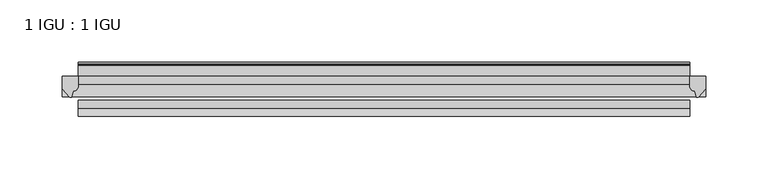
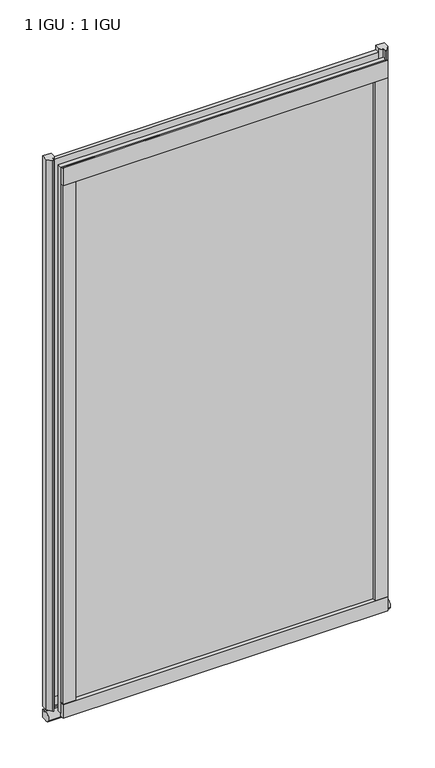
"""IFC4 building model written with IfcOpenShell, lengths in millimetres: plate geometry, 1 IGU : 1 IGU."""

from ifc_helpers import new_model, si_unit, point, frame, frame_2d, origin, place, context, project, spatial, polyline, circle_curve, ellipse_curve, trimmed, segment, composite_curve, outline, extrude, source, transform, mapped, element, save
from ifc_brep_helpers import plane_surface, revolved_surface, extruded_surface, advanced_brep


def plate_1_igu_1_igu_5f714104(model_context):
    return source(origin(), model_context, "Body", "SolidModel", [
        extrude(outline(polyline([(244.6555931, 0.0021347), (244.6555931, -6.2992), (-244.6555931, -6.2992), (-244.6555931, 0.0021347), (244.6555931, 0.0021347)])), frame((0.0, 0.0, -17.4498), z_axis=(0.0, 0.0, 1.0), x_axis=(1.0, 0.0, 0.0)), (0.0, 0.0, 1.0), 868.3366072),
        extrude(outline(polyline([(-244.6555931, -19.0986653), (244.6555931, -19.0986653), (244.6555931, -25.3978653), (-244.6555931, -25.3978653), (-244.6555931, -19.0986653)])), frame((0.0, 0.0, -17.4498), z_axis=(0.0, 0.0, 1.0), x_axis=(1.0, 0.0, 0.0)), (0.0, 0.0, 1.0), 868.3366072),
        advanced_brep(
        [(257.3555931, -2.9334208, -29.3692082), (257.3555931, -15.7658436, -30.8313288), (257.3555931, -6.7904952, -34.925), (257.3555931, 0.0, -34.925), (257.3555931, 0.0, -22.225), (257.3555931, -2.5187477, -22.225), (-257.3555931, -2.9073519, -29.3720514), (-257.3555931, -2.5187477, -22.225), (-257.3555931, 0.0, -22.225), (-257.3555931, 0.0, -34.925), (-257.3555931, -6.7904952, -34.925), (-257.3555931, -15.7658436, -30.8313288)],
        [
            (0, 1, ellipse_curve(frame((257.3555931, -9.5065066, -28.575), z_axis=(1.0, 0.0, 0.0), x_axis=(0.0, 0.0, -1.0)), 6.9638038, 6.6162554)),
            (1, 2, ellipse_curve(frame((257.3555931, -9.5065066, -28.575), z_axis=(1.0, 0.0, 0.0), x_axis=(0.0, 0.0, -1.0)), 6.9638038, 6.6162554)),
            (2, 3),
            (3, 4, circle_curve(frame((257.3555931, 24.1576838, -28.575), z_axis=(-1.0, 0.0, 0.0), x_axis=(0.0, 0.0, 1.0)), 24.9783143)),
            (4, 5),
            (5, 0, circle_curve(frame((257.3555931, -68.4358767, -22.225), z_axis=(-1.0, 0.0, 0.0), x_axis=(0.0, 0.0, 1.0)), 65.917129)),
            (6, 7, circle_curve(frame((-257.3555931, -68.4358767, -22.225), z_axis=(1.0, 0.0, 0.0), x_axis=(0.0, 0.0, 1.0)), 65.917129)),
            (7, 8),
            (8, 9, circle_curve(frame((-257.3555931, 24.1576838, -28.575), z_axis=(1.0, 0.0, 0.0), x_axis=(0.0, 0.0, 1.0)), 24.9783143)),
            (9, 10),
            (10, 11, ellipse_curve(frame((-257.3555931, -9.5065066, -28.575), z_axis=(-1.0, 0.0, 0.0), x_axis=(0.0, 0.0, -1.0)), 6.9638038, 6.6162554)),
            (11, 6, ellipse_curve(frame((-257.3555931, -9.5065066, -28.575), z_axis=(-1.0, 0.0, 0.0), x_axis=(0.0, 0.0, -1.0)), 6.9638038, 6.6162554)),
            (0, 6),
            (11, 1),
            (10, 2),
            (9, 3),
            (8, 4),
            (7, 5),
        ],
        [
            plane_surface(frame((257.3555931, 0.0, -28.575), z_axis=(1.0, 0.0, 0.0), x_axis=(0.0, 1.0, 0.0))),
            plane_surface(frame((-257.3555931, 0.0, -28.575), z_axis=(-1.0, 0.0, 0.0), x_axis=(0.0, 1.0, 0.0))),
            extruded_surface(trimmed(ellipse_curve(frame((-257.3555931, -9.5065066, -28.575), z_axis=(1.0, 0.0, 0.0), x_axis=(0.0, 0.0, -1.0)), 6.9638038, 6.6162554), [point((-257.3555931, -2.9334208, -29.3692082))], [point((-257.3555931, -15.7658436, -30.8313288))], True, "CARTESIAN"), (514.7111862, 0.0, 0.0), 514.7111862),
            extruded_surface(trimmed(ellipse_curve(frame((-257.3555931, -9.5065066, -28.575), z_axis=(1.0, 0.0, 0.0), x_axis=(0.0, 0.0, -1.0)), 6.9638038, 6.6162554), [point((-257.3555931, -15.7658436, -30.8313288))], [point((-257.3555931, -6.7904952, -34.925))], True, "CARTESIAN"), (514.7111862, 0.0, 0.0), 514.7111862),
            plane_surface(frame((257.3555931, -6.7904952, -34.925), z_axis=(0.0, 0.0, -1.0), x_axis=(-1.0, 0.0, 0.0))),
            revolved_surface(polyline([(-257.3555931, 24.1576838, -3.5966856999999983), (257.3555931, 24.1576838, -3.5966856999999983)]), (257.3555931, 24.1576838, -28.575), (-1.0, 0.0, 0.0)),
            plane_surface(frame((257.3555931, 0.0, -22.225), z_axis=(0.0, 0.0, 1.0), x_axis=(-1.0, 0.0, 0.0))),
            revolved_surface(polyline([(-257.3555931, -68.4358767, 43.692129), (257.3555931, -68.4358767, 43.692129)]), (257.3555931, -68.4358767, -22.225), (-1.0, 0.0, 0.0)),
        ],
        [
            (0, [[1, 2, 3, 4, 5, 6]]),
            (1, [[7, 8, 9, 10, 11, 12]]),
            (2, [[-1, 13, -12, 14]]),
            (3, [[-2, -14, -11, 15]]),
            (4, [[-3, -15, -10, 16]]),
            (5, [[-4, -16, -9, 17]]),
            (6, [[-5, -17, -8, 18]]),
            (7, [[-6, -18, -7, -13]]),
        ],
    ),
        extrude(outline(composite_curve([segment(polyline([(257.3555931, 0.0), (257.3555931, -9.7395025), (251.7893622, -16.3730781)]), True, "CONTINUOUS"), segment(trimmed(circle_curve(frame_2d((250.8356872, -15.7728374)), 1.1268473), [point((251.7893622, -16.3730781))], [point((249.7347343, -16.0130197))], False, "CARTESIAN"), True, "CONTINUOUS"), segment(polyline([(249.7347343, -16.0130197), (248.7545428, -11.7377885)]), True, "CONTINUOUS"), segment(trimmed(circle_curve(frame_2d((248.627091, -7.7683362)), 3.9714979), [point((248.7545428, -11.7377885))], [point((244.6557717, -7.8060014))], False, "CARTESIAN"), True, "CONTINUOUS"), segment(polyline([(244.6557717, -7.8060014), (244.6557717, 0.0), (257.3555931, 0.0)]), True, "CONTINUOUS")], self_intersect=False)), frame((0.0, 0.0, -17.4498), z_axis=(0.0, 0.0, 1.0), x_axis=(1.0, 0.0, 0.0)), (0.0, 0.0, 1.0), 875.4740072),
        extrude(outline(composite_curve([segment(polyline([(-244.6555931, 8.8e-06), (-244.6555931, -7.7683362)]), True, "CONTINUOUS"), segment(trimmed(circle_curve(frame_2d((-248.627091, -7.7683362)), 3.9714979), [point((-244.6555931, -7.7683362))], [point((-248.7545428, -11.7377885))], False, "CARTESIAN"), True, "CONTINUOUS"), segment(polyline([(-248.7545428, -11.7377885), (-249.7345773, -16.012436)]), True, "CONTINUOUS"), segment(trimmed(circle_curve(frame_2d((-250.8357864, -15.7723555)), 1.1270758), [point((-249.7345773, -16.012436))], [point((-251.7896258, -16.372764))], False, "CARTESIAN"), True, "CONTINUOUS"), segment(polyline([(-251.7896258, -16.372764), (-257.3555931, -9.7395025), (-257.3555931, 8.8e-06), (-244.6555931, 8.8e-06)]), True, "CONTINUOUS")], self_intersect=False)), frame((0.0, 0.0, -17.4498), z_axis=(0.0, 0.0, 1.0), x_axis=(1.0, 0.0, 0.0)), (0.0, 0.0, 1.0), 875.4740072),
        extrude(outline(composite_curve([segment(polyline([(-31.75, 0.0), (-25.4, 0.0), (-25.4, -22.225)]), True, "CONTINUOUS"), segment(trimmed(circle_curve(frame_2d((-28.575, -28.9113452)), 7.4018806), [point((-25.4, -22.225))], [point((-31.75, -22.225))], True, "CARTESIAN"), True, "CONTINUOUS"), segment(polyline([(-31.75, -22.225), (-31.75, 0.0)]), True, "CONTINUOUS")], self_intersect=False)), frame((-244.6555931, 0.0, 0.0), z_axis=(1.0, 0.0, 0.0), x_axis=(0.0, 1.0, 0.0)), (0.0, 0.0, 1.0), 489.3111861),
        extrude(outline(composite_curve([segment(trimmed(circle_curve(frame_2d((13.6593785, 32.4202472)), 31.3046461), [point((0.0, 4.2528503))], [point((9.3980339, 1.406995))], True, "CARTESIAN"), True, "CONTINUOUS"), segment(polyline([(9.3980339, 1.406995), (9.3980339, 0.0254), (6.35, 0.0254), (6.35, -5.1625788), (7.7309478, -5.3970663), (6.35, -8.0073788), (6.35, -11.8471127)]), True, "CONTINUOUS"), segment(trimmed(circle_curve(frame_2d((5.334, -11.8471127)), 1.016), [point((6.35, -11.8471127))], [point((4.6284878, -12.5782136))], False, "CARTESIAN"), True, "CONTINUOUS"), segment(trimmed(circle_curve(frame_2d((-23.3689302, -41.5910901)), 40.3187601), [point((4.6284878, -12.5782136))], [point((0.0, -8.735413))], True, "CARTESIAN"), True, "CONTINUOUS"), segment(polyline([(0.0, -8.735413), (0.0, 4.2528503)]), True, "CONTINUOUS")], self_intersect=False)), frame((-244.6555931, 0.0, 0.0), z_axis=(1.0, 0.0, 0.0), x_axis=(0.0, 1.0, 0.0)), (0.0, 0.0, 1.0), 489.3111861),
        extrude(outline(composite_curve([segment(polyline([(8.509, 840.7300284), (8.509, 838.6980284), (6.35, 838.6980284), (6.35, 833.3640284), (8.9492698, 833.3640284)]), True, "CONTINUOUS"), segment(trimmed(circle_curve(frame_2d((8.208689, 831.8368072)), 1.697311), [point((8.9492698, 833.3640284))], [point((8.962411, 830.3160284))], False, "CARTESIAN"), True, "CONTINUOUS"), segment(polyline([(8.962411, 830.3160284), (6.35, 830.3160284), (6.35, 825.4868072), (11.1252, 825.4868072), (11.1252, 824.5978072)]), True, "CONTINUOUS"), segment(trimmed(circle_curve(frame_2d((10.1092, 824.5978072)), 1.016), [point((11.1252, 824.5978072))], [point((10.1092, 823.5818072))], False, "CARTESIAN"), True, "CONTINUOUS"), segment(trimmed(circle_curve(frame_2d((10.1092, 804.1707318)), 19.4110754), [point((10.1092, 823.5818072))], [point((0.0, 820.7416075))], True, "CARTESIAN"), True, "CONTINUOUS"), segment(polyline([(0.0, 820.7416075), (0.0, 840.7300284), (8.509, 840.7300284)]), True, "CONTINUOUS")], self_intersect=False)), frame((-244.6555931, 0.0, 0.0), z_axis=(1.0, 0.0, 0.0), x_axis=(0.0, 1.0, 0.0)), (0.0, 0.0, 1.0), 489.3111861),
        extrude(outline(composite_curve([segment(polyline([(-25.4, 850.8868072), (-25.4, 825.4868072), (-31.75, 825.4868072), (-31.75, 853.6597045)]), True, "CONTINUOUS"), segment(trimmed(circle_curve(frame_2d((-24.1401272, 862.4292187)), 11.6109665), [point((-31.75, 853.6597045))], [point((-25.4, 850.8868072))], True, "CARTESIAN"), True, "CONTINUOUS")], self_intersect=False)), frame((-244.6555931, 0.0, 0.0), z_axis=(1.0, 0.0, 0.0), x_axis=(0.0, 1.0, 0.0)), (0.0, 0.0, 1.0), 489.3111861),
        extrude(outline(composite_curve([segment(polyline([(225.6055931, -25.4), (244.6555931, -25.4)]), True, "CONTINUOUS"), segment(trimmed(circle_curve(frame_2d((254.1217438, -28.575)), 9.9844196), [point((244.6555931, -25.4))], [point((244.6555931, -31.75))], True, "CARTESIAN"), True, "CONTINUOUS"), segment(polyline([(244.6555931, -31.75), (225.6055931, -31.75), (225.6055931, -25.4)]), True, "CONTINUOUS")], self_intersect=False)), frame((0.0, 0.0, -17.4498), z_axis=(0.0, 0.0, 1.0), x_axis=(1.0, 0.0, 0.0)), (0.0, 0.0, 1.0), 868.3366072),
        extrude(outline(composite_curve([segment(trimmed(circle_curve(frame_2d((-254.1217438, -28.575)), 9.9844196), [point((-244.6555931, -31.75))], [point((-244.6555931, -25.4))], True, "CARTESIAN"), True, "CONTINUOUS"), segment(polyline([(-244.6555931, -25.4), (-225.6055931, -25.4), (-225.6055931, -31.75), (-244.6555931, -31.75)]), True, "CONTINUOUS")], self_intersect=False)), frame((0.0, 0.0, -17.4498), z_axis=(0.0, 0.0, 1.0), x_axis=(1.0, 0.0, 0.0)), (0.0, 0.0, 1.0), 868.3366072),
    ])


if __name__ == "__main__":
    model = new_model("IFC4")
    model_context = context("Model", 3, world=origin())
    ifc_project = project(units=[si_unit("LENGTHUNIT", "METRE", prefix="MILLI")], contexts=[model_context])
    site = spatial("IfcSite", under=ifc_project)
    building = spatial("IfcBuilding", under=site)
    placement = place(None, origin())
    plate_1_igu_1_igu_shape = plate_1_igu_1_igu_5f714104(model_context)
    element("IfcPlate", 1, ObjectType="1 IGU : 1 IGU", at=placement, inside=building, context=model_context, shape_type="MappedRepresentation", body=[
        mapped(plate_1_igu_1_igu_shape, transform((0.0, 0.0, 0.0), x_axis=(1.0, 0.0, 0.0), y_axis=(0.0, 1.0, 0.0), z_axis=(0.0, 0.0, 1.0))),
    ])
    save(model, "model.ifc")
